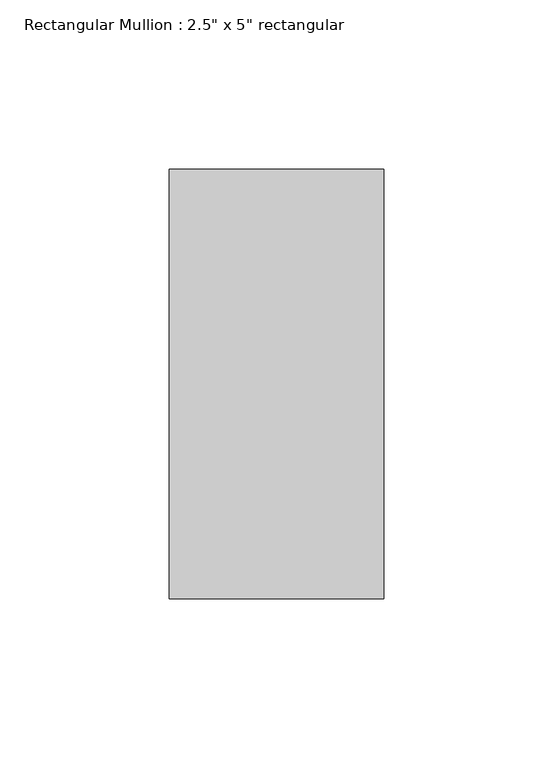
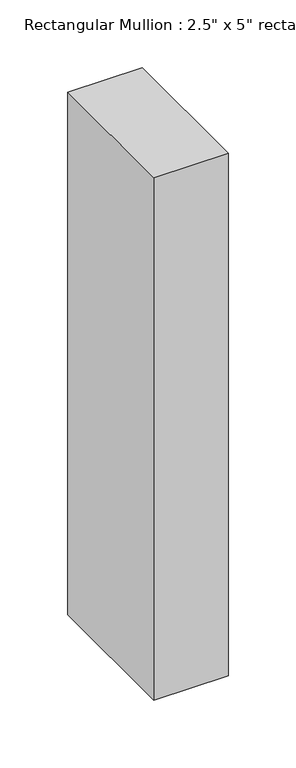
"""IFC4 building model written with IfcOpenShell, lengths in millimetres: member geometry."""

from ifc_helpers import new_model, si_unit, frame, origin, place, context, project, spatial, polyline, outline, extrude, source, transform, mapped, element, save


def member_f65dde82(model_context):
    return source(origin(), model_context, "Body", "SweptSolid", [
        extrude(outline(polyline([(0.0, 63.5), (0.0, -63.5), (-63.5, -63.5), (-63.5, 63.5), (0.0, 63.5)])), frame((0.0, 0.0, -470.837868), z_axis=(0.0, 0.0, 1.0), x_axis=(1.0, 0.0, 0.0)), (0.0, 0.0, 1.0), 470.837868),
    ])


if __name__ == "__main__":
    model = new_model("IFC4")
    model_context = context("Model", 3, world=origin())
    ifc_project = project(units=[si_unit("LENGTHUNIT", "METRE", prefix="MILLI")], contexts=[model_context])
    site = spatial("IfcSite", under=ifc_project)
    building = spatial("IfcBuilding", under=site)
    placement = place(None, origin())
    member_shape = member_f65dde82(model_context)
    element("IfcMember", 1, ObjectType="Rectangular Mullion : 2.5\" x 5\" rectangular", at=placement, inside=building, context=model_context, shape_type="MappedRepresentation", body=[
        mapped(member_shape, transform((0.0, 0.0, 0.0), x_axis=(1.0, 0.0, 0.0), y_axis=(0.0, 1.0, 0.0), z_axis=(0.0, 0.0, 1.0))),
    ])
    save(model, "model.ifc")
